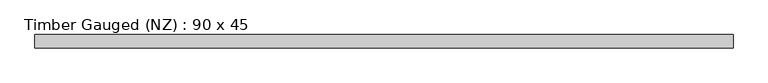
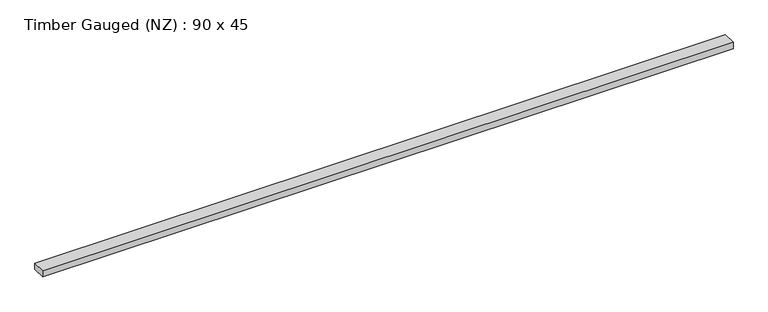
"""IFC4 building model written with IfcOpenShell, lengths in millimetres: beam geometry, Timber Gauged (NZ) : 90 x 45."""

from ifc_helpers import new_model, si_unit, frame, origin, place, context, project, spatial, polyline, outline, extrude, source, transform, mapped, element, save


def timber_gauged_nz_90_x_45_d3f8569a(model_context):
    return source(origin(), model_context, "Body", "SweptSolid", [
        extrude(outline(polyline([(2357.5, 45.0), (2357.5, -45.0), (-2357.5, -45.0), (-2357.5, 45.0), (2357.5, 45.0)])), frame((0.0, 0.0, -22.5), z_axis=(0.0, 0.0, 1.0), x_axis=(1.0, 0.0, 0.0)), (0.0, 0.0, 1.0), 45.0),
    ])


if __name__ == "__main__":
    model = new_model("IFC4")
    model_context = context("Model", 3, world=origin())
    ifc_project = project(units=[si_unit("LENGTHUNIT", "METRE", prefix="MILLI")], contexts=[model_context])
    site = spatial("IfcSite", under=ifc_project)
    building = spatial("IfcBuilding", under=site)
    placement = place(None, origin())
    timber_gauged_nz_90_x_45_shape = timber_gauged_nz_90_x_45_d3f8569a(model_context)
    element("IfcBeam", 1, ObjectType="Timber Gauged (NZ) : 90 x 45", at=placement, inside=building, context=model_context, shape_type="MappedRepresentation", body=[
        mapped(timber_gauged_nz_90_x_45_shape, transform((0.0, 0.0, 0.0), x_axis=(1.0, 0.0, 0.0), y_axis=(0.0, 1.0, 0.0), z_axis=(0.0, 0.0, 1.0))),
    ])
    save(model, "model.ifc")
